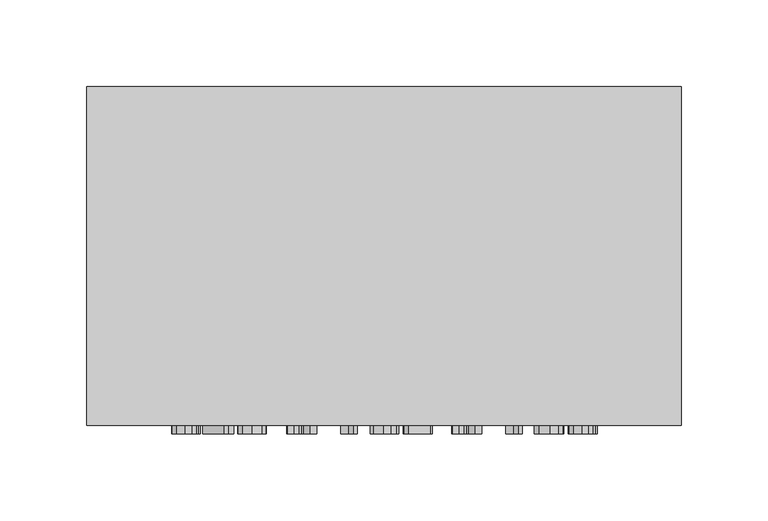
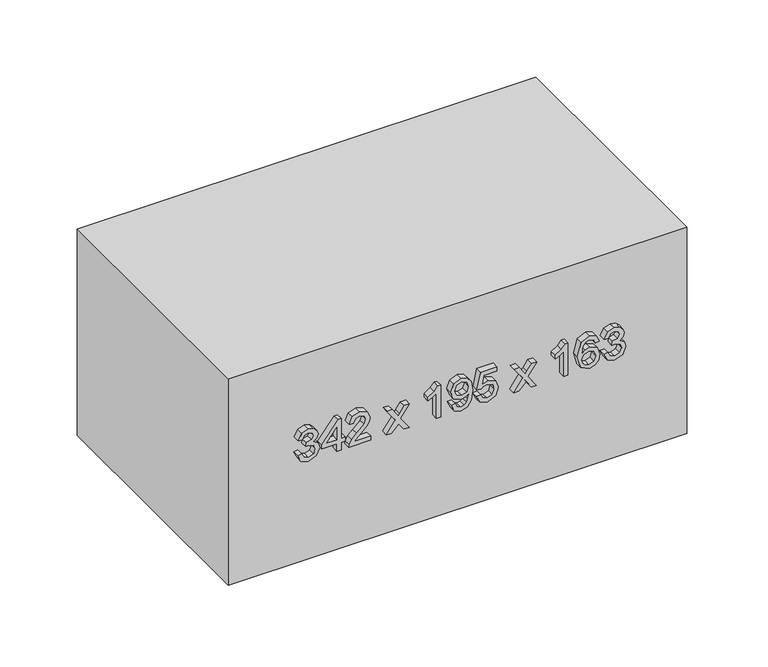
"""IFC4 building model written with IfcOpenShell, lengths in millimetres: furniture geometry."""

from ifc_helpers import new_model, si_unit, frame, origin, origin_with_axes, place, context, project, spatial, polyline, outline, extrude, source, transform, mapped, element, save


def furniture_353252f4(model_context):
    return source(origin(), model_context, "Body", "SweptSolid", [
        extrude(outline(polyline([(88.1709268, -77.5345978), (83.0757612, -75.0391316), (81.1075925, -69.5331644), (83.4129864, -63.4569801), (89.0293182, -61.0534844), (93.1128083, -62.2552323), (95.2587866, -65.6765349), (97.3373199, -63.1013609), (100.2313249, -62.2307068), (103.3981758, -63.1473461), (105.7526205, -65.7960965), (106.6140775, -69.5822154), (104.8666381, -74.5731478), (99.9431507, -77.1421904), (99.5507432, -74.0029307), (102.4937992, -72.4639577), (103.4748178, -69.4718508), (102.5029962, -66.5165321), (100.0473839, -65.3699665), (97.2760062, -66.9518591), (96.4114835, -71.0169551), (93.2722238, -71.366443), (93.6155804, -69.1652824), (92.3310591, -65.5968271), (89.0845005, -64.1927441), (85.6386724, -65.6090898), (84.2468522, -69.4227998), (85.2585277, -72.6632271), (88.5633343, -74.3953381), (88.1709268, -77.5345978)])), frame((0.0, -200.0, 0.0), z_axis=(0.0, 1.0, 0.0), x_axis=(0.0, 0.0, 1.0)), (0.0, 0.0, 1.0), 5.0),
        extrude(outline(polyline([(81.5, -48.1040382), (81.5, -44.9647785), (87.3861119, -44.9647785), (87.3861119, -41.8255188), (90.5253716, -41.8255188), (90.5253716, -44.9647785), (106.2216701, -44.9647785), (106.2216701, -47.3192233), (90.5253716, -59.4838546), (87.3861119, -59.4838546), (87.3861119, -48.1040382), (81.5, -48.1040382)]), holes=[polyline([(90.5253716, -48.1040382), (90.5253716, -55.6210937), (100.2251936, -48.1040382), (90.5253716, -48.1040382)])]), frame((0.0, -200.0, 0.0), z_axis=(0.0, 1.0, 0.0), x_axis=(0.0, 0.0, 1.0)), (0.0, 0.0, 1.0), 5.0),
        extrude(outline(polyline([(84.6392597, -22.9899607), (84.6392597, -35.3201389), (86.2364807, -33.9037932), (89.2561787, -30.2924183), (93.5573324, -25.7950609), (96.6352784, -23.9403225), (99.6120569, -23.3823681), (104.6029893, -25.4517044), (106.6140775, -31.0711018), (104.8053244, -36.6721052), (99.5507432, -39.0786666), (99.1583358, -35.9394069), (102.3282523, -34.6180974), (103.4748178, -31.1385469), (102.3006611, -27.8000178), (99.4219845, -26.5216278), (95.8657919, -27.8766598), (90.6357362, -33.2967879), (86.9967701, -37.2269939), (83.6643724, -39.1338489), (81.5, -39.4710741), (81.5, -22.9899607), (84.6392597, -22.9899607)])), frame((0.0, -200.0, 0.0), z_axis=(0.0, 1.0, 0.0), x_axis=(0.0, 0.0, 1.0)), (0.0, 0.0, 1.0), 5.0),
        extrude(outline(polyline([(81.5, -11.2177368), (81.5, -7.440815), (87.0734122, -1.9655047), (81.5, 1.8788622), (81.5, 5.655784), (90.7706263, -0.7331), (99.9431507, 5.9010387), (99.9431507, 2.1241169), (95.148422, -1.3462366), (93.4439021, -2.5786413), (95.5285667, -4.0011184), (99.9431507, -7.0484076), (99.9431507, -10.8253294), (90.7706263, -4.5100218), (81.5, -11.2177368)])), frame((0.0, -200.0, 0.0), z_axis=(0.0, 1.0, 0.0), x_axis=(0.0, 0.0, 1.0)), (0.0, 0.0, 1.0), 5.0),
        extrude(outline(polyline([(81.5, 29.2002317), (106.6140775, 29.2002317), (106.6140775, 27.1768807), (103.2724827, 24.3840433), (100.3355582, 19.7824526), (97.3679767, 19.7824526), (98.952935, 23.0872592), (101.0713221, 26.060972), (81.5, 26.060972), (81.5, 29.2002317)])), frame((0.0, -200.0, 0.0), z_axis=(0.0, 1.0, 0.0), x_axis=(0.0, 0.0, 1.0)), (0.0, 0.0, 1.0), 5.0),
        extrude(outline(polyline([(87.7785194, 37.0483809), (82.8580977, 39.2985925), (81.1075925, 44.123978), (82.5913833, 48.9708233), (86.910931, 52.0886232), (94.5352854, 53.1370869), (101.5618315, 52.0855575), (105.3019651, 49.0076115), (106.6140775, 44.5347795), (104.3148151, 38.9031193), (98.2447621, 36.6559735), (92.3647816, 38.7988861), (90.1329642, 44.0442702), (91.0465378, 47.4870325), (92.8123714, 50.0162213), (89.1703396, 49.5625001), (86.4418815, 48.5354962), (84.8446605, 46.8125822), (84.2468522, 44.2711308), (85.1757543, 41.5978549), (88.1709268, 40.1876406), (87.7785194, 37.0483809)]), holes=[polyline([(98.3183385, 49.9978272), (94.6119274, 48.5784158), (93.2722238, 44.9578438), (94.6119274, 41.1870534), (98.091478, 39.7952332), (101.9756987, 41.2667611), (103.4748178, 45.043683), (102.0829976, 48.6427951), (98.3183385, 49.9978272)])]), frame((0.0, -200.0, 0.0), z_axis=(0.0, 1.0, 0.0), x_axis=(0.0, 0.0, 1.0)), (0.0, 0.0, 1.0), 5.0),
        extrude(outline(polyline([(88.1709268, 55.8839391), (83.0420387, 58.33342), (81.1075925, 63.8731097), (84.1180935, 70.3968838), (89.9428918, 72.3650525), (95.7309018, 70.1792203), (97.9811134, 64.8112088), (96.1662289, 60.2188153), (103.0824104, 61.5615845), (103.0824104, 71.1878301), (106.2216701, 71.1878301), (106.2216701, 59.0231988), (93.2722238, 56.2763465), (92.8798164, 59.4156062), (94.2961621, 61.1783741), (94.8418537, 63.9344234), (93.4745589, 67.9106146), (89.7466881, 69.2257928), (85.7521027, 67.8217098), (84.2468522, 63.8853725), (85.3290384, 60.6050914), (88.5633343, 59.0231988), (88.1709268, 55.8839391)])), frame((0.0, -200.0, 0.0), z_axis=(0.0, 1.0, 0.0), x_axis=(0.0, 0.0, 1.0)), (0.0, 0.0, 1.0), 5.0),
        extrude(outline(polyline([(81.5, 83.7448689), (81.5, 87.5217907), (87.0734122, 92.997101), (81.5, 96.8414679), (81.5, 100.6183897), (90.7706263, 94.2295057), (99.9431507, 100.8636444), (99.9431507, 97.0867225), (95.148422, 93.6163691), (93.4439021, 92.3839644), (95.5285667, 90.9614873), (99.9431507, 87.9141981), (99.9431507, 84.1372763), (90.7706263, 90.4525839), (81.5, 83.7448689)])), frame((0.0, -200.0, 0.0), z_axis=(0.0, 1.0, 0.0), x_axis=(0.0, 0.0, 1.0)), (0.0, 0.0, 1.0), 5.0),
        extrude(outline(polyline([(81.5, 124.1628374), (106.6140775, 124.1628374), (106.6140775, 122.1394864), (103.2724827, 119.3466489), (100.3355582, 114.7450583), (97.3679767, 114.7450583), (98.952935, 118.0498649), (101.0713221, 121.0235777), (81.5, 121.0235777), (81.5, 124.1628374)])), frame((0.0, -200.0, 0.0), z_axis=(0.0, 1.0, 0.0), x_axis=(0.0, 0.0, 1.0)), (0.0, 0.0, 1.0), 5.0),
        extrude(outline(polyline([(99.9431507, 147.7072851), (104.8421126, 145.3896285), (106.6140775, 140.4293529), (103.7507293, 133.9730239), (93.2231729, 131.2261717), (83.9280212, 133.7001781), (81.1075925, 140.0982591), (82.1713846, 144.2124061), (85.2370679, 147.0634916), (89.5688784, 148.0996925), (95.3507571, 145.8985319), (97.5887059, 140.564243), (96.7701685, 137.1337434), (94.2655052, 134.3654314), (99.8603772, 135.2575452), (102.7145284, 137.4004579), (103.4748178, 140.2331492), (102.1688368, 143.3785403), (99.5507432, 144.5680254), (99.9431507, 147.7072851)]), holes=[polyline([(89.6179294, 134.3654314), (93.115874, 135.9258642), (94.4494462, 139.7242458), (93.115874, 143.5716783), (89.4646452, 144.9604329), (85.6509352, 143.5532842), (84.2468522, 139.8530045), (84.9243682, 137.0233788), (86.8986683, 135.0919983), (89.6179294, 134.3654314)])]), frame((0.0, -200.0, 0.0), z_axis=(0.0, 1.0, 0.0), x_axis=(0.0, 0.0, 1.0)), (0.0, 0.0, 1.0), 5.0),
        extrude(outline(polyline([(88.1709268, 150.8465448), (83.0757612, 153.342011), (81.1075925, 158.8479782), (83.4129864, 164.9241625), (89.0293182, 167.3276582), (93.1128083, 166.1259103), (95.2587866, 162.7046078), (97.3373199, 165.2797817), (100.2313249, 166.1504358), (103.3981758, 165.2337965), (105.7526205, 162.5850461), (106.6140775, 158.7989272), (104.8666381, 153.8079948), (99.9431507, 151.2389522), (99.5507432, 154.3782119), (102.4937992, 155.9171849), (103.4748178, 158.9092918), (102.5029962, 161.8646105), (100.0473839, 163.0111761), (97.2760062, 161.4292835), (96.4114835, 157.3641875), (93.2722238, 157.0146996), (93.6155804, 159.2158602), (92.3310591, 162.7843155), (89.0845005, 164.1883985), (85.6386724, 162.7720528), (84.2468522, 158.9583428), (85.2585277, 155.7179155), (88.5633343, 153.9858045), (88.1709268, 150.8465448)])), frame((0.0, -200.0, 0.0), z_axis=(0.0, 1.0, 0.0), x_axis=(0.0, 0.0, 1.0)), (0.0, 0.0, 1.0), 5.0),
        extrude(outline(polyline([(215.7003264, 0.0), (215.7003264, -195.0), (-126.2996736, -195.0), (-126.2996736, 0.0), (215.7003264, 0.0)])), origin_with_axes(), (0.0, 0.0, 1.0), 163.0),
    ])


if __name__ == "__main__":
    model = new_model("IFC4")
    model_context = context("Model", 3, world=origin())
    ifc_project = project(units=[si_unit("LENGTHUNIT", "METRE", prefix="MILLI")], contexts=[model_context])
    site = spatial("IfcSite", under=ifc_project)
    building = spatial("IfcBuilding", under=site)
    placement = place(None, origin())
    furniture_shape = furniture_353252f4(model_context)
    element("IfcFurniture", 1, at=placement, inside=building, context=model_context, shape_type="MappedRepresentation", body=[
        mapped(furniture_shape, transform((0.0, 0.0, 0.0), x_axis=(1.0, 0.0, 0.0), y_axis=(0.0, 1.0, 0.0), z_axis=(0.0, 0.0, 1.0))),
    ])
    save(model, "model.ifc")
